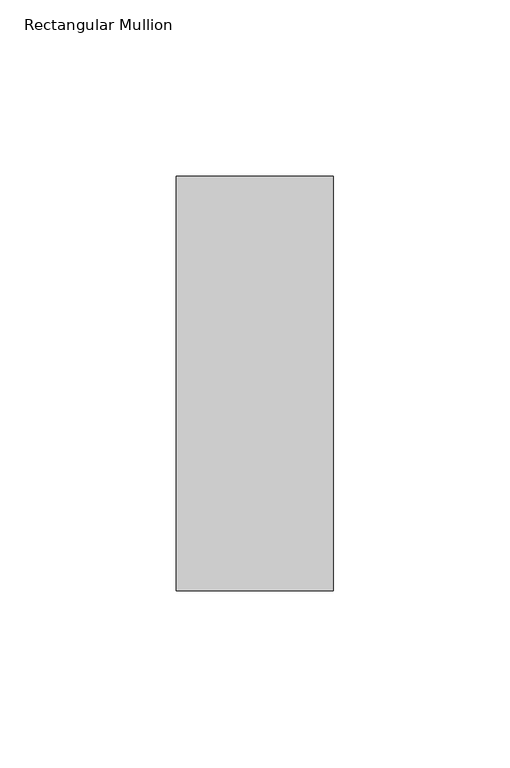
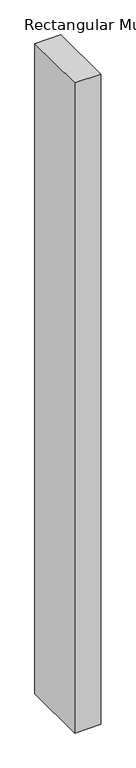
"""IFC4 building model written with IfcOpenShell, lengths in millimetres: member geometry, Rectangular Mullion."""

from ifc_helpers import new_model, si_unit, frame, origin, place, context, project, spatial, polyline, outline, extrude, source, transform, mapped, element, save


def rectangular_mullion_a7405ee1(model_context):
    return source(origin(), model_context, "Body", "SweptSolid", [
        extrude(outline(polyline([(-44.45, 57.1373), (0.0, 57.1373), (0.0, -60.3594727), (-44.45, -60.3594727), (-44.45, 57.1373)])), frame((0.0, 0.0, -1174.75), z_axis=(0.0, 0.0, 1.0), x_axis=(1.0, 0.0, 0.0)), (0.0, 0.0, 1.0), 1174.75),
    ])


if __name__ == "__main__":
    model = new_model("IFC4")
    model_context = context("Model", 3, world=origin())
    ifc_project = project(units=[si_unit("LENGTHUNIT", "METRE", prefix="MILLI")], contexts=[model_context])
    site = spatial("IfcSite", under=ifc_project)
    building = spatial("IfcBuilding", under=site)
    placement = place(None, origin())
    rectangular_mullion_shape = rectangular_mullion_a7405ee1(model_context)
    element("IfcMember", 1, ObjectType="Rectangular Mullion", at=placement, inside=building, context=model_context, shape_type="MappedRepresentation", body=[
        mapped(rectangular_mullion_shape, transform((0.0, 0.0, 0.0), x_axis=(1.0, 0.0, 0.0), y_axis=(0.0, 1.0, 0.0), z_axis=(0.0, 0.0, 1.0))),
    ])
    save(model, "model.ifc")
